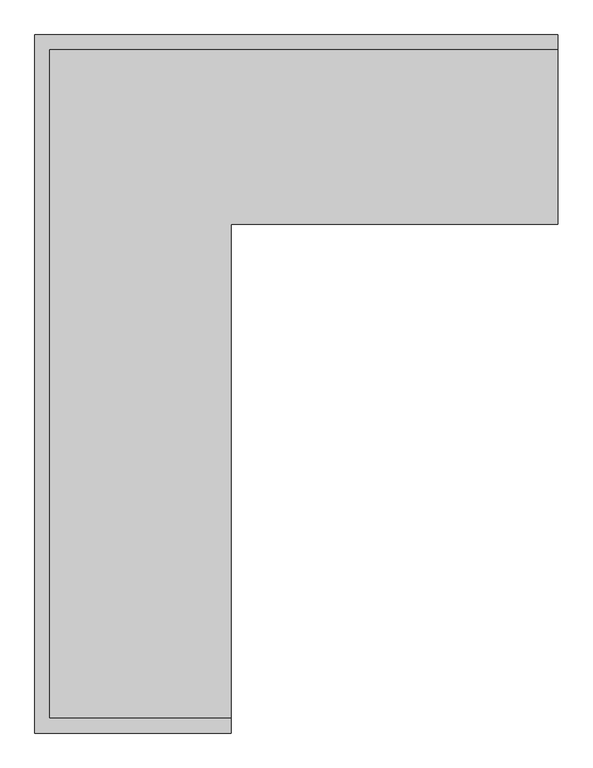
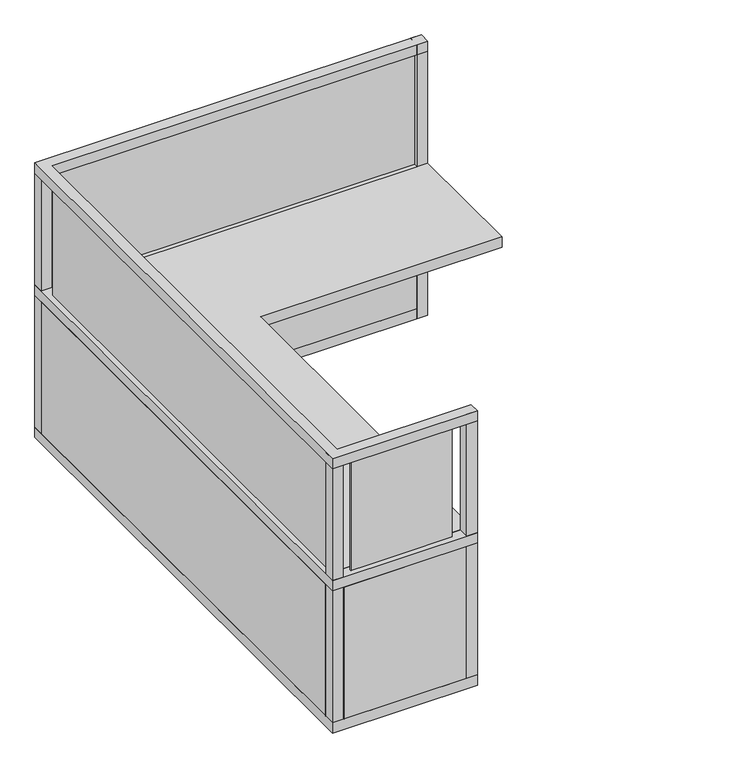
"""IFC4 building model written with IfcOpenShell, lengths in millimetres: furniture geometry."""

from ifc_helpers import new_model, si_unit, frame, origin, origin_with_axes, place, context, project, spatial, polyline, outline, extrude, source, transform, mapped, element, save


def furniture_af5294b4(model_context):
    return source(origin(), model_context, "Body", "SweptSolid", [
        extrude(outline(polyline([(-1247.775, -2413.7057755), (-1727.2, -2413.7057755), (-1727.2, -2407.3557755), (-1247.775, -2407.3557755), (-1247.775, -2413.7057755)])), frame((0.0, 0.0, 762.0), z_axis=(0.0, 0.0, 1.0), x_axis=(1.0, 0.0, 0.0)), (0.0, 0.0, 1.0), 558.8),
        extrude(outline(polyline([(-1803.4, -2337.5057755), (-1803.4, -101.6), (-1797.05, -101.6), (-1797.05, -2337.5057755), (-1803.4, -2337.5057755)])), frame((0.0, 0.0, 762.0), z_axis=(0.0, 0.0, 1.0), x_axis=(1.0, 0.0, 0.0)), (0.0, 0.0, 1.0), 558.8),
        extrude(outline(polyline([(-1727.2, -25.4), (-50.8, -25.4), (-50.8, -31.75), (-1727.2, -31.75), (-1727.2, -25.4)])), frame((0.0, 0.0, 762.0), z_axis=(0.0, 0.0, 1.0), x_axis=(1.0, 0.0, 0.0)), (0.0, 0.0, 1.0), 558.8),
        extrude(outline(polyline([(-50.8, -50.8), (-1778.0, -50.8), (-1778.0, -2387.6), (-1143.0, -2387.6), (-1143.0, -2438.4), (-1828.8, -2438.4), (-1828.8, 0.0), (-50.8, 0.0), (-50.8, -50.8)])), frame((0.0, 0.0, 711.2), z_axis=(0.0, 0.0, 1.0), x_axis=(1.0, 0.0, 0.0)), (0.0, 0.0, 1.0), 50.8),
        extrude(outline(polyline([(0.0, -50.8), (-1778.0, -50.8), (-1778.0, -2387.6), (-1143.0, -2387.6), (-1143.0, -2438.4), (-1828.8, -2438.4), (-1828.8, 0.0), (0.0, 0.0), (0.0, -50.8)])), frame((0.0, 0.0, 1320.8), z_axis=(0.0, 0.0, 1.0), x_axis=(1.0, 0.0, 0.0)), (0.0, 0.0, 1.0), 50.8),
        extrude(outline(polyline([(0.0, -50.8), (-50.8, -50.8), (-50.8, 0.0), (0.0, 0.0), (0.0, -50.8)])), origin_with_axes(), (0.0, 0.0, 1.0), 1371.6),
        extrude(outline(polyline([(-50.8, -50.8), (-1778.0, -50.8), (-1778.0, -2387.6), (-1143.0, -2387.6), (-1143.0, -2438.4), (-1828.8, -2438.4), (-1828.8, 0.0), (-50.8, 0.0), (-50.8, -50.8)])), origin_with_axes(), (0.0, 0.0, 1.0), 50.8),
        extrude(outline(polyline([(-1778.0, -50.8), (-1828.8, -50.8), (-1828.8, 0.0), (-1778.0, 0.0), (-1778.0, -50.8)])), origin_with_axes(), (0.0, 0.0, 1.0), 1371.6),
        extrude(outline(polyline([(-1778.0, -2438.4), (-1828.8, -2438.4), (-1828.8, -2387.6), (-1778.0, -2387.6), (-1778.0, -2438.4)])), origin_with_axes(), (0.0, 0.0, 1.0), 1371.6),
        extrude(outline(polyline([(-1143.0, -2438.4), (-1193.8, -2438.4), (-1193.8, -2387.6), (-1143.0, -2387.6), (-1143.0, -2438.4)])), origin_with_axes(), (0.0, 0.0, 1.0), 1371.6),
        extrude(outline(polyline([(-1143.0, -2387.6), (-1778.0, -2387.6), (-1778.0, -50.8), (0.0, -50.8), (0.0, -660.4), (-1143.0, -660.4), (-1143.0, -2387.6)])), frame((0.0, 0.0, 711.2), z_axis=(0.0, 0.0, 1.0), x_axis=(1.0, 0.0, 0.0)), (0.0, 0.0, 1.0), 50.8),
        extrude(outline(polyline([(-1193.8, -2438.4), (-1774.825, -2438.4), (-1774.825, -2387.6), (-1193.8, -2387.6), (-1193.8, -2438.4)])), frame((0.0, 0.0, 50.8), z_axis=(0.0, 0.0, 1.0), x_axis=(1.0, 0.0, 0.0)), (0.0, 0.0, 1.0), 660.4),
        extrude(outline(polyline([(-1828.8, -2383.9535937), (-1828.8, -53.975), (-1778.0, -53.975), (-1778.0, -2383.9535937), (-1828.8, -2383.9535937)])), frame((0.0, 0.0, 50.8), z_axis=(0.0, 0.0, 1.0), x_axis=(1.0, 0.0, 0.0)), (0.0, 0.0, 1.0), 660.4),
        extrude(outline(polyline([(-1774.825, 0.0), (-50.8, 0.0), (-50.8, -50.8), (-1774.825, -50.8), (-1774.825, 0.0)])), frame((0.0, 0.0, 50.8), z_axis=(0.0, 0.0, 1.0), x_axis=(1.0, 0.0, 0.0)), (0.0, 0.0, 1.0), 660.4),
    ])


if __name__ == "__main__":
    model = new_model("IFC4")
    model_context = context("Model", 3, world=origin())
    ifc_project = project(units=[si_unit("LENGTHUNIT", "METRE", prefix="MILLI")], contexts=[model_context])
    site = spatial("IfcSite", under=ifc_project)
    building = spatial("IfcBuilding", under=site)
    placement = place(None, origin())
    furniture_shape = furniture_af5294b4(model_context)
    element("IfcFurniture", 1, at=placement, inside=building, context=model_context, shape_type="MappedRepresentation", body=[
        mapped(furniture_shape, transform((0.0, 0.0, 0.0), x_axis=(1.0, 0.0, 0.0), y_axis=(0.0, 1.0, 0.0), z_axis=(0.0, 0.0, 1.0))),
    ])
    save(model, "model.ifc")
